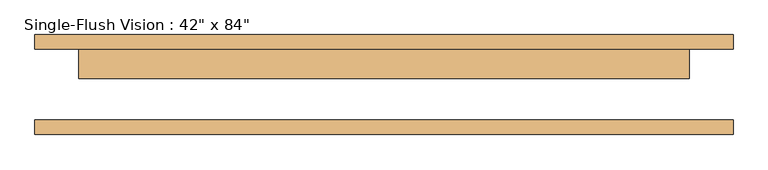
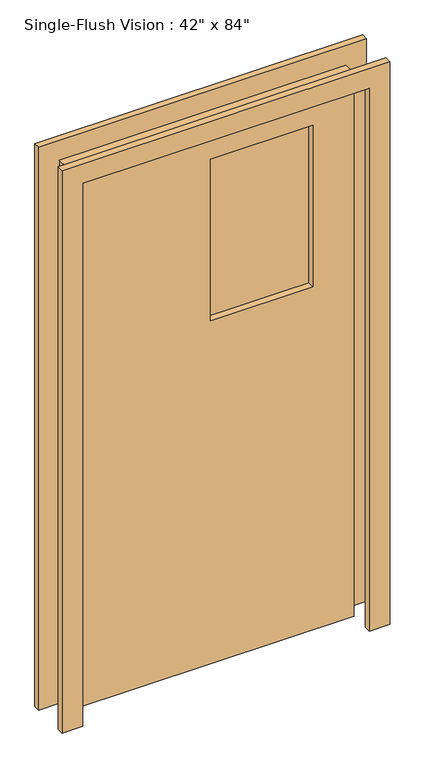
"""IFC4 building model written with IfcOpenShell, lengths in millimetres: door geometry."""

from ifc_helpers import new_model, si_unit, frame, origin, place, context, project, spatial, polyline, outline, extrude, source, transform, mapped, element, save


def door_e97b5bc9(model_context):
    return source(origin(), model_context, "Body", "SweptSolid", [
        extrude(outline(polyline([(381.0, 38.1), (0.0, 38.1), (0.0, 44.45), (381.0, 44.45), (381.0, 38.1)])), frame((0.0, 0.0, 1346.2), z_axis=(0.0, 0.0, 1.0), x_axis=(1.0, 0.0, 0.0)), (0.0, 0.0, 1.0), 635.0),
        extrude(outline(polyline([(381.0, 57.15), (0.0, 57.15), (0.0, 63.5), (381.0, 63.5), (381.0, 57.15)])), frame((0.0, 0.0, 1346.2), z_axis=(0.0, 0.0, 1.0), x_axis=(1.0, 0.0, 0.0)), (0.0, 0.0, 1.0), 635.0),
        extrude(outline(polyline([(2209.8, -609.6), (0.0, -609.6), (0.0, -533.4), (2133.6, -533.4), (2133.6, 533.4), (0.0, 533.4), (0.0, 609.6), (2209.8, 609.6), (2209.8, -609.6)])), frame((0.0, 61.9125, 0.0), z_axis=(0.0, 1.0, 0.0), x_axis=(0.0, 0.0, 1.0)), (0.0, 0.0, 1.0), 25.4),
        extrude(outline(polyline([(2133.6, 533.4), (0.0, 533.4), (0.0, 609.6), (2209.8, 609.6), (2209.8, -609.6), (0.0, -609.6), (0.0, -533.4), (2133.6, -533.4), (2133.6, 533.4)])), frame((0.0, -87.3125, 0.0), z_axis=(0.0, 1.0, 0.0), x_axis=(0.0, 0.0, 1.0)), (0.0, 0.0, 1.0), 25.4),
        extrude(outline(polyline([(2133.6, -533.4), (0.0, -533.4), (0.0, 533.4), (2133.6, 533.4), (2133.6, -533.4)]), holes=[polyline([(1981.2, 0.0), (1981.2, 381.0), (1346.2, 381.0), (1346.2, 0.0), (1981.2, 0.0)])]), frame((0.0, 11.1125, 0.0), z_axis=(0.0, 1.0, 0.0), x_axis=(0.0, 0.0, 1.0)), (0.0, 0.0, 1.0), 50.8),
    ])


if __name__ == "__main__":
    model = new_model("IFC4")
    model_context = context("Model", 3, world=origin())
    ifc_project = project(units=[si_unit("LENGTHUNIT", "METRE", prefix="MILLI")], contexts=[model_context])
    site = spatial("IfcSite", under=ifc_project)
    building = spatial("IfcBuilding", under=site)
    placement = place(None, origin())
    door_shape = door_e97b5bc9(model_context)
    element("IfcDoor", 1, ObjectType="Single-Flush Vision : 42\" x 84\"", at=placement, inside=building, context=model_context, shape_type="MappedRepresentation", body=[
        mapped(door_shape, transform((0.0, 0.0, 0.0), x_axis=(1.0, 0.0, 0.0), y_axis=(0.0, 1.0, 0.0), z_axis=(0.0, 0.0, 1.0))),
    ])
    save(model, "model.ifc")
